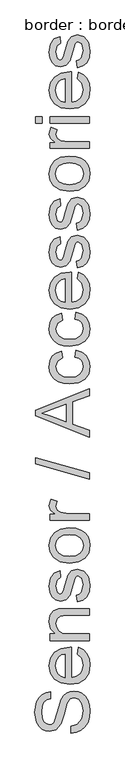
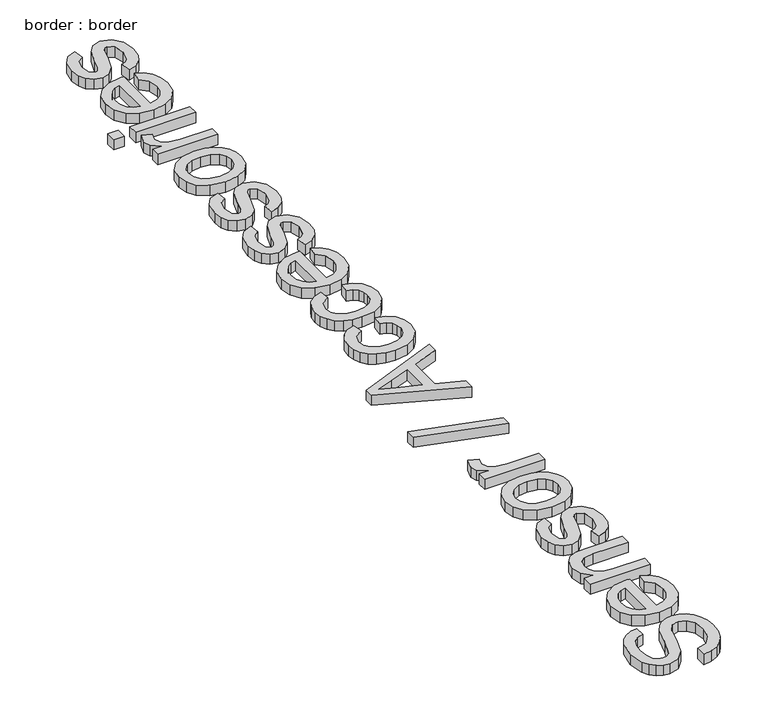
"""IFC4 building model written with IfcOpenShell, lengths in millimetres: proxy geometry, border : border."""

from ifc_helpers import new_model, si_unit, origin, origin_with_axes, place, context, project, spatial, polyline, outline, extrude, source, transform, mapped, element, save


def border_border_1e036bd2(model_context):
    return source(origin(), model_context, "Body", "SweptSolid", [
        extrude(outline(polyline([(-551.7977849, -225.9173568), (-551.7977849, -207.0817987), (-532.9438327, -201.0117457), (-521.024456, -186.1861013), (-516.4811134, -163.5981468), (-519.92081, -143.9164601), (-529.3753773, -131.2061371), (-542.0121238, -127.0306765), (-553.7659536, -130.1576735), (-562.31921, -142.9599669), (-569.511303, -170.3855696), (-578.8003234, -199.9080997), (-592.8166274, -215.9293606), (-611.5418209, -221.2084673), (-622.5736823, -219.5759909), (-632.8605826, -214.6785619), (-641.5793858, -206.6449388), (-647.9069562, -195.6038804), (-653.03891, -167.681637), (-647.6678329, -137.8831954), (-641.0367599, -126.4604594), (-631.8856953, -118.0175676), (-620.7848561, -112.6740816), (-608.3044594, -110.5495631), (-608.3044594, -129.3851213), (-619.5432543, -132.843212), (-627.6550523, -140.0536991), (-632.566277, -151.3200852), (-634.2033518, -166.945873), (-632.5846711, -182.9395427), (-627.7286287, -193.9116232), (-620.582521, -200.2575876), (-612.0936439, -202.3729091), (-604.8555657, -200.87379), (-599.0338331, -196.3764326), (-588.512408, -165.6214978), (-579.0578408, -132.291389), (-572.2244327, -121.5538333), (-563.790738, -114.0628362), (-553.848727, -109.6620478), (-542.4903704, -108.1951183), (-530.879095, -109.882777), (-519.9575982, -114.945753), (-510.5582133, -123.1771126), (-503.5132731, -134.3699223), (-499.1124847, -147.8298048), (-497.6455552, -162.8623828), (-499.2274478, -181.3162634), (-503.9731255, -196.5051913), (-511.9009825, -208.6039104), (-523.0294129, -217.7871647), (-536.5858644, -223.6824737), (-551.7977849, -225.9173568)])), origin_with_axes(), (0.0, 0.0, 1.0), 20.0),
        extrude(outline(polyline([(-532.9622268, -4.8202777), (-530.607782, 13.6473985), (-516.6926455, 6.9933329), (-506.2907821, -3.6246612), (-499.806862, -17.9674605), (-497.6455552, -35.7959417), (-501.374959, -57.8964526), (-512.5631701, -74.9017978), (-530.4836218, -85.7451196), (-554.4097471, -89.3595602), (-579.1406142, -85.7083314), (-597.6358815, -74.754645), (-609.1689821, -57.979226), (-613.0133489, -36.8627995), (-609.1781791, -16.403962), (-597.6726697, -0.0562059), (-579.2141906, 10.6629558), (-554.5201117, 14.2360096), (-549.4433402, 14.125645), (-549.4433402, -70.524002), (-535.3442627, -67.2636479), (-524.9791875, -59.6898773), (-518.6056319, -48.7591835), (-516.4811134, -35.4280597), (-520.4174507, -16.9603835), (-532.9622268, -4.8202777)]), holes=[polyline([(-568.2788983, -70.524002), (-568.2788983, -4.5995485), (-578.2301063, -7.1471313), (-585.3486229, -12.1411294), (-591.9704988, -23.122407), (-594.1777908, -36.9363759), (-592.4165557, -49.6329032), (-587.1328506, -60.1313357), (-578.8968924, -67.4291948), (-568.2788983, -70.524002)])]), origin_with_axes(), (0.0, 0.0, 1.0), 20.0),
        extrude(outline(polyline([(-500.0, 33.0715678), (-610.6589041, 33.0715678), (-610.6589041, 51.907126), (-595.2078604, 51.907126), (-608.5619768, 66.3097061), (-613.0133489, 85.9729987), (-609.4264995, 103.7600932), (-600.0087204, 115.900199), (-586.1579633, 121.5471876), (-567.9478045, 122.540469), (-500.0, 122.540469), (-500.0, 103.7049109), (-565.4094187, 103.7049109), (-582.0744731, 101.5344071), (-590.8852469, 93.8640675), (-594.1777908, 80.9330154), (-592.3291837, 69.901154), (-586.7833627, 60.4971705), (-576.0687996, 54.0546371), (-558.7139664, 51.907126), (-500.0, 51.907126), (-500.0, 33.0715678)])), origin_with_axes(), (0.0, 0.0, 1.0), 20.0),
        extrude(outline(polyline([(-532.9622268, 141.3760272), (-535.3166715, 160.2115853), (-527.2600558, 163.1822324), (-521.3371557, 168.9303886), (-516.4811134, 188.906381), (-520.9324855, 208.1098211), (-531.3803342, 214.363815), (-536.1811942, 212.7911195), (-539.8416201, 208.0730329), (-545.2126972, 188.6856518), (-554.4281412, 160.3219499), (-565.1886895, 147.9427208), (-580.3822159, 143.7304719), (-594.4169141, 147.1149863), (-605.1406742, 156.3488244), (-610.7140864, 168.3233833), (-613.0133489, 184.5285852), (-609.3161349, 207.4476335), (-599.3097446, 222.0157605), (-582.4055669, 228.4904836), (-580.0511222, 209.6549255), (-590.4437885, 202.5731971), (-594.1777908, 186.0001132), (-590.6093354, 167.9738954), (-582.2952023, 162.5660301), (-576.8137606, 164.8101103), (-572.656694, 171.8366564), (-568.6467803, 188.0602524), (-559.7808242, 215.7065843), (-549.7376457, 228.5456659), (-533.366897, 233.1993732), (-515.3406792, 227.7363255), (-502.2624743, 211.9725821), (-497.6455552, 188.6488636), (-499.8712413, 169.6569556), (-506.5482995, 155.7970014), (-517.6031535, 146.5447692), (-532.9622268, 141.3760272)])), origin_with_axes(), (0.0, 0.0, 1.0), 20.0),
        extrude(outline(polyline([(-555.3294521, 249.6804866), (-582.0100938, 253.7547797), (-600.7628785, 265.9776589), (-609.9507313, 281.0792148), (-613.0133489, 299.1606149), (-609.2839452, 318.9480677), (-598.095734, 334.7531979), (-580.3316322, 345.1136746), (-556.8745565, 348.5671669), (-537.8458603, 347.0404566), (-523.3605067, 342.4603257), (-512.5125864, 334.9601316), (-504.3961898, 324.6732313), (-499.3332139, 312.4549505), (-497.6455552, 299.1606149), (-501.3611634, 279.1340388), (-512.5079878, 263.3473027), (-530.6445702, 253.0971906), (-555.3294521, 249.6804866)]), holes=[polyline([(-555.3662403, 268.5160447), (-538.3195083, 270.6957455), (-526.174804, 277.234848), (-518.904536, 287.0756914), (-516.4811134, 299.1606149), (-518.9183316, 311.1903562), (-526.2299863, 321.0128054), (-538.535639, 327.5519079), (-555.9548515, 329.7316087), (-572.5049427, 327.5381123), (-584.4841002, 320.9576231), (-591.7543681, 311.1213783), (-594.1777908, 299.1606149), (-591.7635652, 287.0756914), (-584.5208884, 277.234848), (-572.4037752, 270.6957455), (-555.3662403, 268.5160447)])]), origin_with_axes(), (0.0, 0.0, 1.0), 20.0),
        extrude(outline(polyline([(-500.0, 369.7571698), (-610.6589041, 369.7571698), (-610.6589041, 386.2382832), (-594.2881554, 386.2382832), (-609.3713172, 397.9369306), (-613.0133489, 409.7091545), (-607.2008134, 428.618289), (-590.3150298, 422.3275069), (-594.1777908, 409.0837551), (-590.4621826, 398.4335713), (-580.1614867, 391.6461485), (-558.1621434, 388.5927279), (-500.0, 388.5927279), (-500.0, 369.7571698)])), origin_with_axes(), (0.0, 0.0, 1.0), 20.0),
        extrude(outline(polyline([(-500.0, 485.1249635), (-650.6844652, 527.5049693), (-650.6844652, 544.5011175), (-500.0, 502.1211116), (-500.0, 485.1249635)])), origin_with_axes(), (0.0, 0.0, 1.0), 20.0),
        extrude(outline(polyline([(-500.0, 601.7803441), (-650.6844652, 661.9290504), (-650.6844652, 677.9687053), (-500.0, 738.1174116), (-500.0, 718.2149956), (-547.0888954, 700.96133), (-547.0888954, 638.8996375), (-500.0, 621.6827601), (-500.0, 601.7803441)]), holes=[polyline([(-565.9244535, 645.815819), (-565.9244535, 694.0819367), (-602.9701704, 680.5070911), (-631.8489071, 669.9488778), (-606.207532, 660.567887), (-565.9244535, 645.815819)])]), origin_with_axes(), (0.0, 0.0, 1.0), 20.0),
        extrude(outline(polyline([(-540.0255611, 826.519455), (-537.6711163, 845.3550131), (-520.91869, 840.1034977), (-508.2589508, 830.2350631), (-500.2989041, 816.6786116), (-497.6455552, 800.3630451), (-501.3473678, 780.327272), (-512.4528055, 764.6600975), (-530.4744248, 754.5479412), (-554.9247819, 751.1772224), (-571.6864053, 752.6165607), (-586.2131456, 756.9345756), (-597.9439827, 764.200245), (-606.3178966, 774.4825468), (-611.3394858, 786.783601), (-613.0133489, 800.1055277), (-610.7140864, 816.0210226), (-603.816299, 828.7451411), (-592.6878687, 837.8732131), (-577.6966774, 843.0005684), (-575.3422326, 824.1650102), (-589.4505071, 815.4278128), (-594.1777908, 800.2526805), (-591.8509371, 788.080385), (-584.8703763, 778.4188841), (-572.8590291, 772.1143064), (-555.4398167, 770.0127805), (-537.7860794, 772.0683212), (-525.7333456, 778.2349431), (-518.7941714, 787.7217001), (-516.4811134, 799.7376457), (-517.9250502, 809.4911171), (-522.2568607, 817.487952), (-529.5869095, 823.3050861), (-540.0255611, 826.519455)])), origin_with_axes(), (0.0, 0.0, 1.0), 20.0),
        extrude(outline(polyline([(-540.0255611, 932.4694696), (-537.6711163, 951.3050278), (-520.91869, 946.0535123), (-508.2589508, 936.1850778), (-500.2989041, 922.6286262), (-497.6455552, 906.3130598), (-501.3473678, 886.2772866), (-512.4528055, 870.6101121), (-530.4744248, 860.4979558), (-554.9247819, 857.127237), (-571.6864053, 858.5665753), (-586.2131456, 862.8845902), (-597.9439827, 870.1502596), (-606.3178966, 880.4325614), (-611.3394858, 892.7336156), (-613.0133489, 906.0555424), (-610.7140864, 921.9710372), (-603.816299, 934.6951557), (-592.6878687, 943.8232277), (-577.6966774, 948.950583), (-575.3422326, 930.1150248), (-589.4505071, 921.3778275), (-594.1777908, 906.2026952), (-591.8509371, 894.0303996), (-584.8703763, 884.3688987), (-572.8590291, 878.064321), (-555.4398167, 875.9627951), (-537.7860794, 878.0183358), (-525.7333456, 884.1849577), (-518.7941714, 893.6717147), (-516.4811134, 905.6876604), (-517.9250502, 915.4411318), (-522.2568607, 923.4379666), (-529.5869095, 929.2551007), (-540.0255611, 932.4694696)])), origin_with_axes(), (0.0, 0.0, 1.0), 20.0),
        extrude(outline(polyline([(-532.9622268, 1045.2620893), (-530.607782, 1063.7297655), (-516.6926455, 1057.0756999), (-506.2907821, 1046.4577058), (-499.806862, 1032.1149065), (-497.6455552, 1014.2864253), (-501.374959, 992.1859145), (-512.5631701, 975.1805692), (-530.4836218, 964.3372474), (-554.4097471, 960.7228068), (-579.1406142, 964.3740356), (-597.6358815, 975.327722), (-609.1689821, 992.103141), (-613.0133489, 1013.2195675), (-609.1781791, 1033.678405), (-597.6726697, 1050.0261612), (-579.2141906, 1060.7453228), (-554.5201117, 1064.3183767), (-549.4433402, 1064.2080121), (-549.4433402, 979.558365), (-535.3442627, 982.8187192), (-524.9791875, 990.3924897), (-518.6056319, 1001.3231835), (-516.4811134, 1014.6543073), (-520.4174507, 1033.1219835), (-532.9622268, 1045.2620893)]), holes=[polyline([(-568.2788983, 979.558365), (-568.2788983, 1045.4828185), (-578.2301063, 1042.9352357), (-585.3486229, 1037.9412376), (-591.9704988, 1026.9599601), (-594.1777908, 1013.1459911), (-592.4165557, 1000.4494638), (-587.1328506, 989.9510314), (-578.8968924, 982.6531723), (-568.2788983, 979.558365)])]), origin_with_axes(), (0.0, 0.0, 1.0), 20.0),
        extrude(outline(polyline([(-532.9622268, 1076.0906005), (-535.3166715, 1094.9261587), (-527.2600558, 1097.8968058), (-521.3371557, 1103.644962), (-516.4811134, 1123.6209543), (-520.9324855, 1142.8243944), (-531.3803342, 1149.0783884), (-536.1811942, 1147.5056928), (-539.8416201, 1142.7876063), (-545.2126972, 1123.4002251), (-554.4281412, 1095.0365233), (-565.1886895, 1082.6572941), (-580.3822159, 1078.4450453), (-594.4169141, 1081.8295596), (-605.1406742, 1091.0633977), (-610.7140864, 1103.0379567), (-613.0133489, 1119.2431586), (-609.3161349, 1142.1622069), (-599.3097446, 1156.7303339), (-582.4055669, 1163.205057), (-580.0511222, 1144.3694988), (-590.4437885, 1137.2877704), (-594.1777908, 1120.7146865), (-590.6093354, 1102.6884688), (-582.2952023, 1097.2806034), (-576.8137606, 1099.5246836), (-572.656694, 1106.5512297), (-568.6467803, 1122.7748257), (-559.7808242, 1150.4211577), (-549.7376457, 1163.2602393), (-533.366897, 1167.9139465), (-515.3406792, 1162.4508989), (-502.2624743, 1146.6871554), (-497.6455552, 1123.3634369), (-499.8712413, 1104.3715289), (-506.5482995, 1090.5115747), (-517.6031535, 1081.2593426), (-532.9622268, 1076.0906005)])), origin_with_axes(), (0.0, 0.0, 1.0), 20.0),
        extrude(outline(polyline([(-532.9622268, 1182.0406151), (-535.3166715, 1200.8761733), (-527.2600558, 1203.8468204), (-521.3371557, 1209.5949766), (-516.4811134, 1229.5709689), (-520.9324855, 1248.7744091), (-531.3803342, 1255.028403), (-536.1811942, 1253.4557074), (-539.8416201, 1248.7376209), (-545.2126972, 1229.3502397), (-554.4281412, 1200.9865379), (-565.1886895, 1188.6073087), (-580.3822159, 1184.3950599), (-594.4169141, 1187.7795743), (-605.1406742, 1197.0134123), (-610.7140864, 1208.9879713), (-613.0133489, 1225.1931732), (-609.3161349, 1248.1122215), (-599.3097446, 1262.6803485), (-582.4055669, 1269.1550716), (-580.0511222, 1250.3195134), (-590.4437885, 1243.237785), (-594.1777908, 1226.6647012), (-590.6093354, 1208.6384834), (-582.2952023, 1203.2306181), (-576.8137606, 1205.4746982), (-572.656694, 1212.5012443), (-568.6467803, 1228.7248403), (-559.7808242, 1256.3711723), (-549.7376457, 1269.2102539), (-533.366897, 1273.8639611), (-515.3406792, 1268.4009135), (-502.2624743, 1252.63717), (-497.6455552, 1229.3134515), (-499.8712413, 1210.3215435), (-506.5482995, 1196.4615893), (-517.6031535, 1187.2093572), (-532.9622268, 1182.0406151)])), origin_with_axes(), (0.0, 0.0, 1.0), 20.0),
        extrude(outline(polyline([(-555.3294521, 1290.3450745), (-582.0100938, 1294.4193676), (-600.7628785, 1306.6422469), (-609.9507313, 1321.7438028), (-613.0133489, 1339.8252029), (-609.2839452, 1359.6126557), (-598.095734, 1375.4177859), (-580.3316322, 1385.7782626), (-556.8745565, 1389.2317548), (-537.8458603, 1387.7050445), (-523.3605067, 1383.1249137), (-512.5125864, 1375.6247195), (-504.3961898, 1365.3378192), (-499.3332139, 1353.1195385), (-497.6455552, 1339.8252029), (-501.3611634, 1319.7986268), (-512.5079878, 1304.0118906), (-530.6445702, 1293.7617785), (-555.3294521, 1290.3450745)]), holes=[polyline([(-555.3662403, 1309.1806327), (-538.3195083, 1311.3603335), (-526.174804, 1317.899436), (-518.904536, 1327.7402793), (-516.4811134, 1339.8252029), (-518.9183316, 1351.8549441), (-526.2299863, 1361.6773934), (-538.535639, 1368.2164958), (-555.9548515, 1370.3961967), (-572.5049427, 1368.2027003), (-584.4841002, 1361.6222111), (-591.7543681, 1351.7859662), (-594.1777908, 1339.8252029), (-591.7635652, 1327.7402793), (-584.5208884, 1317.899436), (-572.4037752, 1311.3603335), (-555.3662403, 1309.1806327)])]), origin_with_axes(), (0.0, 0.0, 1.0), 20.0),
        extrude(outline(polyline([(-500.0, 1410.4217577), (-610.6589041, 1410.4217577), (-610.6589041, 1426.9028711), (-594.2881554, 1426.9028711), (-609.3713172, 1438.6015186), (-613.0133489, 1450.3737424), (-607.2008134, 1469.282877), (-590.3150298, 1462.9920949), (-594.1777908, 1449.748343), (-590.4621826, 1439.0981593), (-580.1614867, 1432.3107365), (-558.1621434, 1429.2573159), (-500.0, 1429.2573159), (-500.0, 1410.4217577)])), origin_with_axes(), (0.0, 0.0, 1.0), 20.0),
        extrude(outline(polyline([(-631.8489071, 1481.0551008), (-650.6844652, 1481.0551008), (-650.6844652, 1499.890659), (-631.8489071, 1499.890659), (-631.8489071, 1481.0551008)])), origin_with_axes(), (0.0, 0.0, 1.0), 20.0),
        extrude(outline(polyline([(-500.0, 1481.0551008), (-610.6589041, 1481.0551008), (-610.6589041, 1499.890659), (-500.0, 1499.890659), (-500.0, 1481.0551008)])), origin_with_axes(), (0.0, 0.0, 1.0), 20.0),
        extrude(outline(polyline([(-532.9622268, 1605.6199444), (-530.607782, 1624.0876205), (-516.6926455, 1617.433555), (-506.2907821, 1606.8155609), (-499.806862, 1592.4727616), (-497.6455552, 1574.6442804), (-501.374959, 1552.5437695), (-512.5631701, 1535.5384243), (-530.4836218, 1524.6951025), (-554.4097471, 1521.0806619), (-579.1406142, 1524.7318907), (-597.6358815, 1535.6855771), (-609.1689821, 1552.4609961), (-613.0133489, 1573.5774226), (-609.1781791, 1594.0362601), (-597.6726697, 1610.3840162), (-579.2141906, 1621.1031779), (-554.5201117, 1624.6762317), (-549.4433402, 1624.5658671), (-549.4433402, 1539.91622), (-535.3442627, 1543.1765742), (-524.9791875, 1550.7503448), (-518.6056319, 1561.6810386), (-516.4811134, 1575.0121624), (-520.4174507, 1593.4798385), (-532.9622268, 1605.6199444)]), holes=[polyline([(-568.2788983, 1539.91622), (-568.2788983, 1605.8406736), (-578.2301063, 1603.2930908), (-585.3486229, 1598.2990927), (-591.9704988, 1587.3178151), (-594.1777908, 1573.5038462), (-592.4165557, 1560.8073188), (-587.1328506, 1550.3088864), (-578.8968924, 1543.0110273), (-568.2788983, 1539.91622)])]), origin_with_axes(), (0.0, 0.0, 1.0), 20.0),
        extrude(outline(polyline([(-532.9622268, 1636.4484556), (-535.3166715, 1655.2840137), (-527.2600558, 1658.2546608), (-521.3371557, 1664.002817), (-516.4811134, 1683.9788094), (-520.9324855, 1703.1822495), (-531.3803342, 1709.4362434), (-536.1811942, 1707.8635479), (-539.8416201, 1703.1454613), (-545.2126972, 1683.7580802), (-554.4281412, 1655.3943783), (-565.1886895, 1643.0151492), (-580.3822159, 1638.8029003), (-594.4169141, 1642.1874147), (-605.1406742, 1651.4212528), (-610.7140864, 1663.3958117), (-613.0133489, 1679.6010136), (-609.3161349, 1702.5200619), (-599.3097446, 1717.0881889), (-582.4055669, 1723.562912), (-580.0511222, 1704.7273539), (-590.4437885, 1697.6456255), (-594.1777908, 1681.0725416), (-590.6093354, 1663.0463238), (-582.2952023, 1657.6384585), (-576.8137606, 1659.8825387), (-572.656694, 1666.9090848), (-568.6467803, 1683.1326808), (-559.7808242, 1710.7790127), (-549.7376457, 1723.6180943), (-533.366897, 1728.2718016), (-515.3406792, 1722.8087539), (-502.2624743, 1707.0450105), (-497.6455552, 1683.721292), (-499.8712413, 1664.729384), (-506.5482995, 1650.8694298), (-517.6031535, 1641.6171976), (-532.9622268, 1636.4484556)])), origin_with_axes(), (0.0, 0.0, 1.0), 20.0),
    ])


if __name__ == "__main__":
    model = new_model("IFC4")
    model_context = context("Model", 3, world=origin())
    ifc_project = project(units=[si_unit("LENGTHUNIT", "METRE", prefix="MILLI")], contexts=[model_context])
    site = spatial("IfcSite", under=ifc_project)
    building = spatial("IfcBuilding", under=site)
    placement = place(None, origin())
    border_border_shape = border_border_1e036bd2(model_context)
    element("IfcBuildingElementProxy", 1, Name="border : border", ObjectType="border : border", at=placement, inside=building, context=model_context, shape_type="MappedRepresentation", body=[
        mapped(border_border_shape, transform((0.0, 0.0, 0.0), x_axis=(1.0, 0.0, 0.0), y_axis=(0.0, 1.0, 0.0), z_axis=(0.0, 0.0, 1.0))),
    ])
    save(model, "model.ifc")
